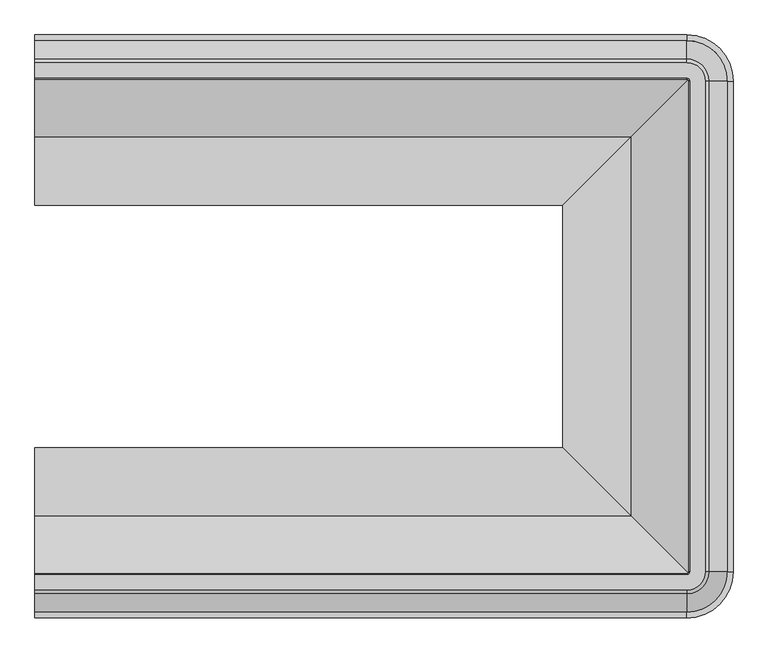
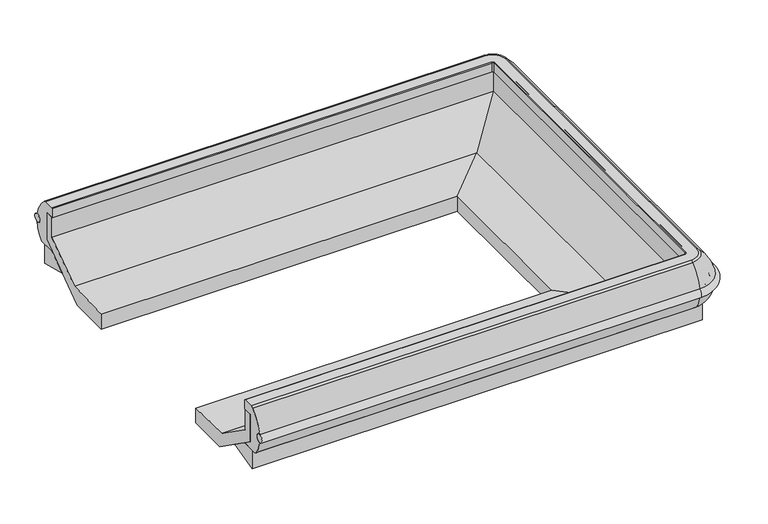
"""IFC4 building model written with IfcOpenShell, lengths in millimetres: proxy geometry."""

from ifc_helpers import new_model, si_unit, point, frame, origin, place, context, project, spatial, polyline, circle_curve, ellipse_curve, trimmed, faceted_brep, source, transform, mapped, element, save
from ifc_brep_helpers import plane_surface, cylinder_surface, revolved_surface, advanced_brep


def mechanical_equipment_106b6c2a(model_context):
    return source(origin(), model_context, "Body", "SolidModel", [
        advanced_brep(
        [(0.0, -364.6063208, 602.1833335), (0.0, -367.261694, 567.3111181), (1822.5002227, -364.6063208, 602.1833335), (1822.5002227, -367.261694, 567.3111181), (1932.7829333, -477.5444046, 567.3111181), (1935.4383065, -477.5444046, 602.1833335), (1935.4383065, -1849.24485, 602.1833335), (1932.7829333, -1849.24485, 567.3111181), (1822.5002227, -1959.5275606, 567.3111181), (1822.5002227, -1962.1829338, 602.1833335), (0.0, -1962.1829338, 602.1833335), (0.0, -1959.5275606, 567.3111181)],
        [
            (0, 1, circle_curve(frame((0.0, -366.1293194, 584.762098), z_axis=(-1.0, 0.0, 0.0), x_axis=(0.0, 1.0, 0.0)), 17.4876806)),
            (1, 0, circle_curve(frame((0.0, -366.2319692, 584.7699144), z_axis=(-1.0, 0.0, 0.0), x_axis=(0.0, 1.0, 0.0)), 17.4891366)),
            (0, 2),
            (2, 3, circle_curve(frame((1822.5002227, -366.1293194, 584.762098), z_axis=(-1.0, 0.0, 0.0), x_axis=(0.0, 1.0, 0.0)), 17.4876806)),
            (3, 1),
            (3, 2, circle_curve(frame((1822.5002227, -366.2319692, 584.7699144), z_axis=(-1.0, 0.0, 0.0), x_axis=(0.0, 1.0, 0.0)), 17.4891366)),
            (4, 3, circle_curve(frame((1822.5002227, -477.5444046, 567.3111181), z_axis=(0.0, 0.0, 1.0), x_axis=(0.0, 1.0, 0.0)), 110.2827105)),
            (2, 5, circle_curve(frame((1822.5002227, -477.5444046, 602.1833335), z_axis=(0.0, 0.0, -1.0), x_axis=(0.0, 1.0, 0.0)), 112.9380838)),
            (5, 4, circle_curve(frame((1933.9153079, -477.5444046, 584.762098), z_axis=(0.0, 1.0, 0.0), x_axis=(1.0, 0.0, 0.0)), 17.4876806)),
            (4, 5, circle_curve(frame((1933.8126581, -477.5444046, 584.7699144), z_axis=(0.0, 1.0, 0.0), x_axis=(1.0, 0.0, 0.0)), 17.4891366)),
            (5, 6),
            (6, 7, circle_curve(frame((1933.9153079, -1849.24485, 584.762098), z_axis=(0.0, 1.0, 0.0), x_axis=(1.0, 0.0, 0.0)), 17.4876806)),
            (7, 4),
            (7, 6, circle_curve(frame((1933.8126581, -1849.24485, 584.7699144), z_axis=(0.0, 1.0, 0.0), x_axis=(1.0, 0.0, 0.0)), 17.4891366)),
            (8, 7, circle_curve(frame((1822.5002227, -1849.24485, 567.3111181), z_axis=(0.0, 0.0, 1.0), x_axis=(1.0, 0.0, 0.0)), 110.2827105)),
            (6, 9, circle_curve(frame((1822.5002227, -1849.24485, 602.1833335), z_axis=(0.0, 0.0, -1.0), x_axis=(1.0, 0.0, 0.0)), 112.9380838)),
            (9, 8, circle_curve(frame((1822.5002227, -1960.6599352, 584.762098), z_axis=(1.0, 0.0, 0.0), x_axis=(0.0, -1.0, 0.0)), 17.4876806)),
            (8, 9, circle_curve(frame((1822.5002227, -1960.5572854, 584.7699144), z_axis=(1.0, 0.0, 0.0), x_axis=(0.0, -1.0, 0.0)), 17.4891366)),
            (10, 11, circle_curve(frame((0.0, -1960.5572854, 584.7699144), z_axis=(-1.0, 0.0, 0.0), x_axis=(0.0, -1.0, 0.0)), 17.4891366)),
            (11, 10, circle_curve(frame((0.0, -1960.6599352, 584.762098), z_axis=(-1.0, 0.0, 0.0), x_axis=(0.0, -1.0, 0.0)), 17.4876806)),
            (9, 10),
            (11, 8),
        ],
        [
            plane_surface(frame((0.0, -401.3444046, 0.0), z_axis=(-1.0, 0.0, 0.0), x_axis=(0.0, 0.0, 1.0))),
            cylinder_surface(frame((0.0, -366.1293194, 584.762098), z_axis=(-1.0, 0.0, 0.0), x_axis=(0.0, 1.0, 0.0)), 17.4876806),
            cylinder_surface(frame((0.0, -366.2319692, 584.7699144), z_axis=(-1.0, 0.0, 0.0), x_axis=(0.0, 1.0, 0.0)), 17.4891366),
            revolved_surface(trimmed(ellipse_curve(frame((1822.5002227, -366.1293194, 584.762098), z_axis=(-1.0, 0.0, 0.0), x_axis=(0.0, 1.0, 0.0)), 17.4876806, 17.4876806), [point((1822.5002227, -364.6063208, 602.1833335))], [point((1822.5002227, -367.261694, 567.3111181))], True, "CARTESIAN"), (1822.5002227, -477.5444046, 0.0), (0.0, 0.0, -1.0)),
            revolved_surface(trimmed(ellipse_curve(frame((1822.5002227, -366.2319692, 584.7699144), z_axis=(-1.0, 0.0, 0.0), x_axis=(0.0, 1.0, 0.0)), 17.4891366, 17.4891366), [point((1822.5002227, -367.261694, 567.3111181))], [point((1822.5002227, -364.6063208, 602.1833335))], True, "CARTESIAN"), (1822.5002227, -477.5444046, 0.0), (0.0, 0.0, -1.0)),
            cylinder_surface(frame((1933.9153079, -477.5444046, 584.762098), z_axis=(0.0, 1.0, 0.0), x_axis=(1.0, 0.0, 0.0)), 17.4876806),
            cylinder_surface(frame((1933.8126581, -477.5444046, 584.7699144), z_axis=(0.0, 1.0, 0.0), x_axis=(1.0, 0.0, 0.0)), 17.4891366),
            revolved_surface(trimmed(ellipse_curve(frame((1933.9153079, -1849.24485, 584.762098), z_axis=(0.0, 1.0, 0.0), x_axis=(1.0, 0.0, 0.0)), 17.4876806, 17.4876806), [point((1935.4383065, -1849.24485, 602.1833335))], [point((1932.7829333, -1849.24485, 567.3111181))], True, "CARTESIAN"), (1822.5002227, -1849.24485, 0.0), (0.0, 0.0, -1.0)),
            revolved_surface(trimmed(ellipse_curve(frame((1933.8126581, -1849.24485, 584.7699144), z_axis=(0.0, 1.0, 0.0), x_axis=(1.0, 0.0, 0.0)), 17.4891366, 17.4891366), [point((1932.7829333, -1849.24485, 567.3111181))], [point((1935.4383065, -1849.24485, 602.1833335))], True, "CARTESIAN"), (1822.5002227, -1849.24485, 0.0), (0.0, 0.0, -1.0)),
            plane_surface(frame((0.0, -1925.44485, 0.0), z_axis=(-1.0, 0.0, 0.0), x_axis=(0.0, 0.0, 1.0))),
            cylinder_surface(frame((1822.5002227, -1960.6599352, 584.762098), z_axis=(1.0, 0.0, 0.0), x_axis=(0.0, -1.0, 0.0)), 17.4876806),
            cylinder_surface(frame((1822.5002227, -1960.5572854, 584.7699144), z_axis=(1.0, 0.0, 0.0), x_axis=(0.0, -1.0, 0.0)), 17.4891366),
        ],
        [
            (0, [[1, 2]]),
            (1, [[-1, 3, 4, 5]]),
            (2, [[-2, -5, 6, -3]]),
            (3, [[7, -4, 8, 9]]),
            (4, [[-8, -6, -7, 10]]),
            (5, [[-9, 11, 12, 13]]),
            (6, [[-10, -13, 14, -11]]),
            (7, [[15, -12, 16, 17]]),
            (8, [[-16, -14, -15, 18]]),
            (9, [[19, 20]]),
            (10, [[-17, 21, -20, 22]]),
            (11, [[-18, -22, -19, -21]]),
        ],
    ),
        advanced_brep(
        [(0.0, -1932.3707266, 504.5515988), (0.0, -1962.3625666, 567.3742005), (0.0, -1962.1955312, 602.1821529), (0.0, -1911.1133562, 687.1369709), (0.0, -1900.315694, 691.368246), (0.0, -1857.7448417, 691.368246), (0.0, -1854.5728881, 688.1962924), (0.0, -1854.5728881, 649.6873876), (0.0, -1894.6056438, 649.6873876), (0.0, -1894.6056438, 529.929056), (0.0, -1855.3824045, 502.405218), (0.0, -1927.6069109, 502.405218), (1822.5002227, -1932.3707266, 504.5515988), (1822.5002227, -1962.3625666, 567.3742005), (1822.5002227, -1962.1955312, 602.1821529), (1822.5002227, -1911.1133562, 687.1369709), (1822.5002227, -1900.315694, 691.368246), (1873.5710667, -1849.24485, 691.368246), (1873.5710667, -477.5444046, 691.368246), (1822.5002227, -426.4735606, 691.368246), (0.0, -426.4735606, 691.368246), (0.0, -469.0444129, 691.368246), (1822.5002227, -469.0444129, 691.368246), (1831.0002144, -477.5444046, 691.368246), (1831.0002144, -1849.24485, 691.368246), (1822.5002227, -1857.7448417, 691.368246), (1822.5002227, -1854.5728881, 688.1962924), (1822.5002227, -1854.5728881, 649.6873876), (1827.8282608, -1849.24485, 649.6873876), (1827.8282608, -477.5444046, 649.6873876), (1822.5002227, -472.2163665, 649.6873876), (0.0, -472.2163665, 649.6873876), (0.0, -432.1836108, 649.6873876), (1822.5002227, -432.1836108, 649.6873876), (1867.8610165, -477.5444046, 649.6873876), (1867.8610165, -1849.24485, 649.6873876), (1822.5002227, -1894.6056438, 649.6873876), (1822.5002227, -1894.6056438, 529.929056), (1822.5002227, -1855.3824045, 502.405218), (1822.5002227, -1927.6069109, 502.4019738), (1935.6179393, -1849.24485, 567.3742005), (1905.6260993, -1849.24485, 504.5515988), (1935.4509039, -1849.24485, 602.1821529), (1884.3687289, -1849.24485, 687.1369709), (1827.8282608, -1849.24485, 688.1962924), (1867.8610165, -1849.24485, 529.929056), (1828.6377772, -1849.24485, 502.405218), (1900.8622836, -1849.24485, 502.4019738), (1905.6260993, -477.5444046, 504.5515988), (1935.6179393, -477.5444046, 567.3742005), (1935.4509039, -477.5444046, 602.1821529), (1884.3687289, -477.5444046, 687.1369709), (1827.8282608, -477.5444046, 688.1962924), (1867.8610165, -477.5444046, 529.929056), (1828.6377772, -477.5444046, 502.405218), (1900.8622836, -477.5444046, 502.4019738), (1822.5002227, -364.426688, 567.3742005), (1822.5002227, -394.418528, 504.5515988), (1822.5002227, -364.5937234, 602.1821529), (1822.5002227, -415.6758984, 687.1369709), (1822.5002227, -472.2163665, 688.1962924), (1822.5002227, -432.1836108, 529.929056), (1822.5002227, -471.4068501, 502.405218), (1822.5002227, -399.1823437, 502.4019738), (0.0, -394.418528, 504.5515988), (0.0, -399.1823437, 502.4019738), (0.0, -471.4068501, 502.405218), (0.0, -432.1836108, 529.929056), (0.0, -472.2163665, 688.1962924), (0.0, -415.6758984, 687.1369709), (0.0, -364.5937234, 602.1821529), (0.0, -364.426688, 567.3742005)],
        [
            (0, 1, circle_curve(frame((0.0, -1837.1426231, 588.5844274), z_axis=(-1.0, 0.0, 0.0), x_axis=(0.0, 1.0, 0.0)), 127.0035747)),
            (1, 2, circle_curve(frame((0.0, -1960.5572854, 584.7699144), z_axis=(1.0, 0.0, 0.0), x_axis=(0.0, 1.0, 0.0)), 17.4891366)),
            (2, 3, circle_curve(frame((0.0, -1790.3001749, 556.6587336), z_axis=(-1.0, 0.0, 0.0), x_axis=(0.0, 1.0, 0.0)), 177.8212451)),
            (3, 4, circle_curve(frame((0.0, -1900.315694, 675.4754956), z_axis=(-1.0, 0.0, 0.0), x_axis=(0.0, 1.0, 0.0)), 15.8927504)),
            (4, 5),
            (5, 6, circle_curve(frame((0.0, -1857.7448417, 688.1962924), z_axis=(-1.0, 0.0, 0.0), x_axis=(0.0, 1.0, 0.0)), 3.1719536)),
            (6, 7),
            (7, 8),
            (8, 9),
            (9, 10),
            (10, 11),
            (11, 0, circle_curve(frame((0.0, -1927.6069109, 508.7553674), z_axis=(-1.0, 0.0, 0.0), x_axis=(0.0, 1.0, 0.0)), 6.3533936)),
            (0, 12),
            (12, 13, circle_curve(frame((1822.5002227, -1837.1426231, 588.5844274), z_axis=(-1.0, 0.0, 0.0), x_axis=(0.0, 1.0, 0.0)), 127.0035747)),
            (13, 1),
            (13, 14, circle_curve(frame((1822.5002227, -1960.5572854, 584.7699144), z_axis=(1.0, 0.0, 0.0), x_axis=(0.0, 1.0, 0.0)), 17.4891366)),
            (14, 2),
            (14, 15, circle_curve(frame((1822.5002227, -1790.3001749, 556.6587336), z_axis=(-1.0, 0.0, 0.0), x_axis=(0.0, 1.0, 0.0)), 177.8212451)),
            (15, 3),
            (15, 16, circle_curve(frame((1822.5002227, -1900.315694, 675.4754956), z_axis=(-1.0, 0.0, 0.0), x_axis=(0.0, 1.0, 0.0)), 15.8927504)),
            (16, 4),
            (16, 17, circle_curve(frame((1822.5002227, -1849.24485, 691.368246), z_axis=(0.0, 0.0, 1.0), x_axis=(0.0, -1.0, 0.0)), 51.070844)),
            (17, 18),
            (18, 19, circle_curve(frame((1822.5002227, -477.5444046, 691.368246), z_axis=(0.0, 0.0, 1.0), x_axis=(1.0, 0.0, 0.0)), 51.070844)),
            (19, 20),
            (20, 21),
            (21, 22),
            (22, 23, circle_curve(frame((1822.5002227, -477.5444046, 691.368246), z_axis=(0.0, 0.0, -1.0), x_axis=(1.0, 0.0, 0.0)), 8.4999917)),
            (23, 24),
            (24, 25, circle_curve(frame((1822.5002227, -1849.24485, 691.368246), z_axis=(0.0, 0.0, -1.0), x_axis=(0.0, -1.0, 0.0)), 8.4999917)),
            (25, 5),
            (6, 26),
            (26, 27),
            (27, 7),
            (27, 28, circle_curve(frame((1822.5002227, -1849.24485, 649.6873876), z_axis=(0.0, 0.0, 1.0), x_axis=(0.0, -1.0, 0.0)), 5.3280381)),
            (28, 29),
            (29, 30, circle_curve(frame((1822.5002227, -477.5444046, 649.6873876), z_axis=(0.0, 0.0, 1.0), x_axis=(1.0, 0.0, 0.0)), 5.3280381)),
            (30, 31),
            (31, 32),
            (32, 33),
            (33, 34, circle_curve(frame((1822.5002227, -477.5444046, 649.6873876), z_axis=(0.0, 0.0, -1.0), x_axis=(1.0, 0.0, 0.0)), 45.3607938)),
            (34, 35),
            (35, 36, circle_curve(frame((1822.5002227, -1849.24485, 649.6873876), z_axis=(0.0, 0.0, -1.0), x_axis=(0.0, -1.0, 0.0)), 45.3607938)),
            (36, 8),
            (36, 37),
            (37, 9),
            (37, 38),
            (38, 10),
            (11, 39),
            (39, 12, circle_curve(frame((1822.5002227, -1927.6069109, 508.7553674), z_axis=(-1.0, 0.0, 0.0), x_axis=(0.0, 1.0, 0.0)), 6.3533936)),
            (40, 13, circle_curve(frame((1822.5002227, -1849.24485, 567.3742005), z_axis=(0.0, 0.0, -1.0), x_axis=(0.0, -1.0, 0.0)), 113.1177166)),
            (12, 41, circle_curve(frame((1822.5002227, -1849.24485, 504.5515988), z_axis=(0.0, 0.0, 1.0), x_axis=(0.0, -1.0, 0.0)), 83.1258766)),
            (41, 40, circle_curve(frame((1810.3979958, -1849.24485, 588.5844274), z_axis=(0.0, -1.0, 0.0), x_axis=(-1.0, 0.0, 0.0)), 127.0035747)),
            (42, 14, circle_curve(frame((1822.5002227, -1849.24485, 602.1821529), z_axis=(0.0, 0.0, -1.0), x_axis=(0.0, -1.0, 0.0)), 112.9506811)),
            (40, 42, circle_curve(frame((1933.8126581, -1849.24485, 584.7699144), z_axis=(0.0, 1.0, 0.0), x_axis=(-1.0, 0.0, 0.0)), 17.4891366)),
            (43, 15, circle_curve(frame((1822.5002227, -1849.24485, 687.1369709), z_axis=(0.0, 0.0, -1.0), x_axis=(0.0, -1.0, 0.0)), 61.8685062)),
            (42, 43, circle_curve(frame((1763.5555476, -1849.24485, 556.6587336), z_axis=(0.0, -1.0, 0.0), x_axis=(-1.0, 0.0, 0.0)), 177.8212451)),
            (43, 17, circle_curve(frame((1873.5710667, -1849.24485, 675.4754956), z_axis=(0.0, -1.0, 0.0), x_axis=(-1.0, 0.0, 0.0)), 15.8927504)),
            (26, 44, circle_curve(frame((1822.5002227, -1849.24485, 688.1962924), z_axis=(0.0, 0.0, 1.0), x_axis=(0.0, -1.0, 0.0)), 5.3280381)),
            (44, 28),
            (45, 37, circle_curve(frame((1822.5002227, -1849.24485, 529.929056), z_axis=(0.0, 0.0, -1.0), x_axis=(0.0, -1.0, 0.0)), 45.3607938)),
            (35, 45),
            (46, 38, circle_curve(frame((1822.5002227, -1849.24485, 502.405218), z_axis=(0.0, 0.0, -1.0), x_axis=(0.0, -1.0, 0.0)), 6.1375545)),
            (45, 46),
            (39, 47, circle_curve(frame((1822.5002227, -1849.24485, 502.4019738), z_axis=(0.0, 0.0, 1.0), x_axis=(0.0, -1.0, 0.0)), 78.3620609)),
            (47, 41, circle_curve(frame((1900.8622836, -1849.24485, 508.7553674), z_axis=(0.0, -1.0, 0.0), x_axis=(-1.0, 0.0, 0.0)), 6.3533936)),
            (41, 48),
            (48, 49, circle_curve(frame((1810.3979958, -477.5444046, 588.5844274), z_axis=(0.0, -1.0, 0.0), x_axis=(-1.0, 0.0, 0.0)), 127.0035747)),
            (49, 40),
            (49, 50, circle_curve(frame((1933.8126581, -477.5444046, 584.7699144), z_axis=(0.0, 1.0, 0.0), x_axis=(-1.0, 0.0, 0.0)), 17.4891366)),
            (50, 42),
            (50, 51, circle_curve(frame((1763.5555476, -477.5444046, 556.6587336), z_axis=(0.0, -1.0, 0.0), x_axis=(-1.0, 0.0, 0.0)), 177.8212451)),
            (51, 43),
            (51, 18, circle_curve(frame((1873.5710667, -477.5444046, 675.4754956), z_axis=(0.0, -1.0, 0.0), x_axis=(-1.0, 0.0, 0.0)), 15.8927504)),
            (44, 52),
            (52, 29),
            (34, 53),
            (53, 45),
            (53, 54),
            (54, 46),
            (47, 55),
            (55, 48, circle_curve(frame((1900.8622836, -477.5444046, 508.7553674), z_axis=(0.0, -1.0, 0.0), x_axis=(-1.0, 0.0, 0.0)), 6.3533936)),
            (56, 49, circle_curve(frame((1822.5002227, -477.5444046, 567.3742005), z_axis=(0.0, 0.0, -1.0), x_axis=(1.0, 0.0, 0.0)), 113.1177166)),
            (48, 57, circle_curve(frame((1822.5002227, -477.5444046, 504.5515988), z_axis=(0.0, 0.0, 1.0), x_axis=(1.0, 0.0, 0.0)), 83.1258766)),
            (57, 56, circle_curve(frame((1822.5002227, -489.6466315, 588.5844274), z_axis=(1.0, 0.0, 0.0), x_axis=(0.0, -1.0, 0.0)), 127.0035747)),
            (58, 50, circle_curve(frame((1822.5002227, -477.5444046, 602.1821529), z_axis=(0.0, 0.0, -1.0), x_axis=(1.0, 0.0, 0.0)), 112.9506811)),
            (56, 58, circle_curve(frame((1822.5002227, -366.2319692, 584.7699144), z_axis=(-1.0, 0.0, 0.0), x_axis=(0.0, -1.0, 0.0)), 17.4891366)),
            (59, 51, circle_curve(frame((1822.5002227, -477.5444046, 687.1369709), z_axis=(0.0, 0.0, -1.0), x_axis=(1.0, 0.0, 0.0)), 61.8685062)),
            (58, 59, circle_curve(frame((1822.5002227, -536.4890797, 556.6587336), z_axis=(1.0, 0.0, 0.0), x_axis=(0.0, -1.0, 0.0)), 177.8212451)),
            (59, 19, circle_curve(frame((1822.5002227, -426.4735606, 675.4754956), z_axis=(1.0, 0.0, 0.0), x_axis=(0.0, -1.0, 0.0)), 15.8927504)),
            (52, 60, circle_curve(frame((1822.5002227, -477.5444046, 688.1962924), z_axis=(0.0, 0.0, 1.0), x_axis=(1.0, 0.0, 0.0)), 5.3280381)),
            (60, 30),
            (61, 53, circle_curve(frame((1822.5002227, -477.5444046, 529.929056), z_axis=(0.0, 0.0, -1.0), x_axis=(1.0, 0.0, 0.0)), 45.3607938)),
            (33, 61),
            (62, 54, circle_curve(frame((1822.5002227, -477.5444046, 502.405218), z_axis=(0.0, 0.0, -1.0), x_axis=(1.0, 0.0, 0.0)), 6.1375545)),
            (61, 62),
            (55, 63, circle_curve(frame((1822.5002227, -477.5444046, 502.4019738), z_axis=(0.0, 0.0, 1.0), x_axis=(1.0, 0.0, 0.0)), 78.3620609)),
            (63, 57, circle_curve(frame((1822.5002227, -399.1823437, 508.7553674), z_axis=(1.0, 0.0, 0.0), x_axis=(0.0, -1.0, 0.0)), 6.3533936)),
            (64, 65, circle_curve(frame((0.0, -399.1823437, 508.7553674), z_axis=(-1.0, 0.0, 0.0), x_axis=(0.0, -1.0, 0.0)), 6.3533936)),
            (65, 66),
            (66, 67),
            (67, 32),
            (31, 68),
            (68, 21, circle_curve(frame((0.0, -469.0444129, 688.1962924), z_axis=(-1.0, 0.0, 0.0), x_axis=(0.0, -1.0, 0.0)), 3.1719536)),
            (20, 69, circle_curve(frame((0.0, -426.4735606, 675.4754956), z_axis=(-1.0, 0.0, 0.0), x_axis=(0.0, -1.0, 0.0)), 15.8927504)),
            (69, 70, circle_curve(frame((0.0, -536.4890797, 556.6587336), z_axis=(-1.0, 0.0, 0.0), x_axis=(0.0, -1.0, 0.0)), 177.8212451)),
            (70, 71, circle_curve(frame((0.0, -366.2319692, 584.7699144), z_axis=(1.0, 0.0, 0.0), x_axis=(0.0, -1.0, 0.0)), 17.4891366)),
            (71, 64, circle_curve(frame((0.0, -489.6466315, 588.5844274), z_axis=(-1.0, 0.0, 0.0), x_axis=(0.0, -1.0, 0.0)), 127.0035747)),
            (57, 64),
            (71, 56),
            (70, 58),
            (69, 59),
            (60, 68),
            (67, 61),
            (66, 62),
            (63, 65),
            (26, 25, circle_curve(frame((1822.5002227, -1857.7448417, 688.1962924), z_axis=(1.0, 0.0, 0.0), x_axis=(0.0, 1.0, 0.0)), 3.1719536)),
            (24, 44, circle_curve(frame((1831.0002144, -1849.24485, 688.1962924), z_axis=(0.0, -1.0, 0.0), x_axis=(-1.0, 0.0, 0.0)), 3.1719536)),
            (23, 52, circle_curve(frame((1831.0002144, -477.5444046, 688.1962924), z_axis=(0.0, -1.0, 0.0), x_axis=(-1.0, 0.0, 0.0)), 3.1719536)),
            (22, 60, circle_curve(frame((1822.5002227, -469.0444129, 688.1962924), z_axis=(1.0, 0.0, 0.0), x_axis=(0.0, -1.0, 0.0)), 3.1719536)),
        ],
        [
            plane_surface(frame((0.0, -1925.44485, 0.0), z_axis=(-1.0, 0.0, 0.0), x_axis=(0.0, 0.0, 1.0))),
            cylinder_surface(frame((0.0, -1837.1426231, 588.5844274), z_axis=(-1.0, 0.0, 0.0), x_axis=(0.0, 1.0, 0.0)), 127.0035747),
            revolved_surface(polyline([(1822.5002227, -1943.0681488, 584.7699144), (0.0, -1943.0681488, 584.7699144)]), (0.0, -1960.5572854, 584.7699144), (1.0, 0.0, 0.0)),
            cylinder_surface(frame((0.0, -1790.3001749, 556.6587336), z_axis=(-1.0, 0.0, 0.0), x_axis=(0.0, 1.0, 0.0)), 177.8212451),
            cylinder_surface(frame((0.0, -1900.315694, 675.4754956), z_axis=(-1.0, 0.0, 0.0), x_axis=(0.0, 1.0, 0.0)), 15.8927504),
            plane_surface(frame((0.0, -1900.315694, 691.368246), z_axis=(0.0, 0.0, 1.0), x_axis=(1.0, 0.0, 0.0))),
            plane_surface(frame((0.0, -1854.5728881, 688.1962924), z_axis=(0.0, 1.0, 0.0), x_axis=(1.0, 0.0, 0.0))),
            plane_surface(frame((0.0, -1854.5728881, 649.6873876), z_axis=(0.0, 0.0, -1.0), x_axis=(1.0, 0.0, 0.0))),
            plane_surface(frame((0.0, -1894.6056438, 649.6873876), z_axis=(0.0, 1.0, 0.0), x_axis=(1.0, 0.0, 0.0))),
            plane_surface(frame((0.0, -1894.6056438, 529.929056), z_axis=(0.0, 0.5744083781667253, 0.8185688823134388), x_axis=(1.0, 0.0, 0.0))),
            cylinder_surface(frame((0.0, -1927.6069109, 508.7553674), z_axis=(-1.0, 0.0, 0.0), x_axis=(0.0, 1.0, 0.0)), 6.3533936),
            revolved_surface(trimmed(ellipse_curve(frame((1822.5002227, -1837.1426231, 588.5844274), z_axis=(-1.0, 0.0, 0.0), x_axis=(0.0, 1.0, 0.0)), 127.0035747, 127.0035747), [point((1822.5002227, -1932.3707266, 504.5515988))], [point((1822.5002227, -1962.3625666, 567.3742005))], True, "CARTESIAN"), (1822.5002227, -1849.24485, 0.0), (0.0, 0.0, 1.0)),
            revolved_surface(trimmed(ellipse_curve(frame((1822.5002227, -1960.5572854, 584.7699144), z_axis=(1.0, 0.0, 0.0), x_axis=(0.0, 1.0, 0.0)), 17.4891366, 17.4891366), [point((1822.5002227, -1962.3625666, 567.3742005))], [point((1822.5002227, -1962.1955312, 602.1821529))], True, "CARTESIAN"), (1822.5002227, -1849.24485, 0.0), (0.0, 0.0, 1.0)),
            revolved_surface(trimmed(ellipse_curve(frame((1822.5002227, -1790.3001749, 556.6587336), z_axis=(-1.0, 0.0, 0.0), x_axis=(0.0, 1.0, 0.0)), 177.8212451, 177.8212451), [point((1822.5002227, -1962.1955312, 602.1821529))], [point((1822.5002227, -1911.1133562, 687.1369709))], True, "CARTESIAN"), (1822.5002227, -1849.24485, 0.0), (0.0, 0.0, 1.0)),
            revolved_surface(trimmed(ellipse_curve(frame((1822.5002227, -1900.315694, 675.4754956), z_axis=(-1.0, 0.0, 0.0), x_axis=(0.0, 1.0, 0.0)), 15.8927504, 15.8927504), [point((1822.5002227, -1911.1133562, 687.1369709))], [point((1822.5002227, -1900.315694, 691.368246))], True, "CARTESIAN"), (1822.5002227, -1849.24485, 0.0), (0.0, 0.0, 1.0)),
            revolved_surface(polyline([(1822.5002227, -1854.5728881, 688.1962924), (1822.5002227, -1854.5728881, 649.6873876)]), (1822.5002227, -1849.24485, 0.0), (0.0, 0.0, 1.0)),
            revolved_surface(polyline([(1822.5002227, -1894.6056438, 649.6873876), (1822.5002227, -1894.6056438, 529.929056)]), (1822.5002227, -1849.24485, 0.0), (0.0, 0.0, 1.0)),
            revolved_surface(polyline([(1822.5002227, -1894.6056438, 529.929056), (1822.5002227, -1855.3824045, 502.405218)]), (1822.5002227, -1849.24485, 0.0), (0.0, 0.0, 1.0)),
            revolved_surface(trimmed(ellipse_curve(frame((1822.5002227, -1927.6069109, 508.7553674), z_axis=(-1.0, 0.0, 0.0), x_axis=(0.0, 1.0, 0.0)), 6.3533936, 6.3533936), [point((1822.5002227, -1927.6069109, 502.4019738))], [point((1822.5002227, -1932.3707266, 504.5515988))], True, "CARTESIAN"), (1822.5002227, -1849.24485, 0.0), (0.0, 0.0, 1.0)),
            cylinder_surface(frame((1810.3979958, -1849.24485, 588.5844274), z_axis=(0.0, -1.0, 0.0), x_axis=(-1.0, 0.0, 0.0)), 127.0035747),
            revolved_surface(polyline([(1916.3235215, -477.5444046, 584.7699144), (1916.3235215, -1849.24485, 584.7699144)]), (1933.8126581, -1849.24485, 584.7699144), (0.0, 1.0, 0.0)),
            cylinder_surface(frame((1763.5555476, -1849.24485, 556.6587336), z_axis=(0.0, -1.0, 0.0), x_axis=(-1.0, 0.0, 0.0)), 177.8212451),
            cylinder_surface(frame((1873.5710667, -1849.24485, 675.4754956), z_axis=(0.0, -1.0, 0.0), x_axis=(-1.0, 0.0, 0.0)), 15.8927504),
            plane_surface(frame((1827.8282608, -1849.24485, 688.1962924), z_axis=(-1.0, 0.0, 0.0), x_axis=(0.0, 1.0, 0.0))),
            plane_surface(frame((1867.8610165, -1849.24485, 649.6873876), z_axis=(-1.0, 0.0, 0.0), x_axis=(0.0, 1.0, 0.0))),
            plane_surface(frame((1867.8610165, -1849.24485, 529.929056), z_axis=(-0.5744083781667253, 0.0, 0.8185688823134388), x_axis=(0.0, 1.0, 0.0))),
            cylinder_surface(frame((1900.8622836, -1849.24485, 508.7553674), z_axis=(0.0, -1.0, 0.0), x_axis=(-1.0, 0.0, 0.0)), 6.3533936),
            revolved_surface(trimmed(ellipse_curve(frame((1810.3979958, -477.5444046, 588.5844274), z_axis=(0.0, -1.0, 0.0), x_axis=(-1.0, 0.0, 0.0)), 127.0035747, 127.0035747), [point((1905.6260993, -477.5444046, 504.5515988))], [point((1935.6179393, -477.5444046, 567.3742005))], True, "CARTESIAN"), (1822.5002227, -477.5444046, 0.0), (0.0, 0.0, 1.0)),
            revolved_surface(trimmed(ellipse_curve(frame((1933.8126581, -477.5444046, 584.7699144), z_axis=(0.0, 1.0, 0.0), x_axis=(-1.0, 0.0, 0.0)), 17.4891366, 17.4891366), [point((1935.6179393, -477.5444046, 567.3742005))], [point((1935.4509039, -477.5444046, 602.1821529))], True, "CARTESIAN"), (1822.5002227, -477.5444046, 0.0), (0.0, 0.0, 1.0)),
            revolved_surface(trimmed(ellipse_curve(frame((1763.5555476, -477.5444046, 556.6587336), z_axis=(0.0, -1.0, 0.0), x_axis=(-1.0, 0.0, 0.0)), 177.8212451, 177.8212451), [point((1935.4509039, -477.5444046, 602.1821529))], [point((1884.3687289, -477.5444046, 687.1369709))], True, "CARTESIAN"), (1822.5002227, -477.5444046, 0.0), (0.0, 0.0, 1.0)),
            revolved_surface(trimmed(ellipse_curve(frame((1873.5710667, -477.5444046, 675.4754956), z_axis=(0.0, -1.0, 0.0), x_axis=(-1.0, 0.0, 0.0)), 15.8927504, 15.8927504), [point((1884.3687289, -477.5444046, 687.1369709))], [point((1873.5710667, -477.5444046, 691.368246))], True, "CARTESIAN"), (1822.5002227, -477.5444046, 0.0), (0.0, 0.0, 1.0)),
            revolved_surface(polyline([(1827.8282608, -477.5444046, 688.1962924), (1827.8282608, -477.5444046, 649.6873876)]), (1822.5002227, -477.5444046, 0.0), (0.0, 0.0, 1.0)),
            revolved_surface(polyline([(1867.8610165, -477.5444046, 649.6873876), (1867.8610165, -477.5444046, 529.929056)]), (1822.5002227, -477.5444046, 0.0), (0.0, 0.0, 1.0)),
            revolved_surface(polyline([(1867.8610165, -477.5444046, 529.929056), (1828.6377772, -477.5444046, 502.405218)]), (1822.5002227, -477.5444046, 0.0), (0.0, 0.0, 1.0)),
            revolved_surface(trimmed(ellipse_curve(frame((1900.8622836, -477.5444046, 508.7553674), z_axis=(0.0, -1.0, 0.0), x_axis=(-1.0, 0.0, 0.0)), 6.3533936, 6.3533936), [point((1900.8622836, -477.5444046, 502.4019738))], [point((1905.6260993, -477.5444046, 504.5515988))], True, "CARTESIAN"), (1822.5002227, -477.5444046, 0.0), (0.0, 0.0, 1.0)),
            plane_surface(frame((0.0, -401.3444046, 0.0), z_axis=(-1.0, 0.0, 0.0), x_axis=(0.0, 0.0, 1.0))),
            cylinder_surface(frame((1822.5002227, -489.6466315, 588.5844274), z_axis=(1.0, 0.0, 0.0), x_axis=(0.0, -1.0, 0.0)), 127.0035747),
            revolved_surface(polyline([(0.0, -383.7211058, 584.7699144), (1822.5002227, -383.7211058, 584.7699144)]), (1822.5002227, -366.2319692, 584.7699144), (-1.0, 0.0, 0.0)),
            cylinder_surface(frame((1822.5002227, -536.4890797, 556.6587336), z_axis=(1.0, 0.0, 0.0), x_axis=(0.0, -1.0, 0.0)), 177.8212451),
            cylinder_surface(frame((1822.5002227, -426.4735606, 675.4754956), z_axis=(1.0, 0.0, 0.0), x_axis=(0.0, -1.0, 0.0)), 15.8927504),
            plane_surface(frame((1822.5002227, -472.2163665, 688.1962924), z_axis=(0.0, -1.0, 0.0), x_axis=(-1.0, 0.0, 0.0))),
            plane_surface(frame((1822.5002227, -432.1836108, 649.6873876), z_axis=(0.0, -1.0, 0.0), x_axis=(-1.0, 0.0, 0.0))),
            plane_surface(frame((1822.5002227, -432.1836108, 529.929056), z_axis=(0.0, -0.5744083781667253, 0.8185688823134388), x_axis=(-1.0, 0.0, 0.0))),
            cylinder_surface(frame((1822.5002227, -399.1823437, 508.7553674), z_axis=(1.0, 0.0, 0.0), x_axis=(0.0, -1.0, 0.0)), 6.3533936),
            plane_surface(frame((0.0, -1855.3824045, 502.405218), z_axis=(0.0, 0.0, -1.0), x_axis=(1.0, 0.0, 0.0))),
            revolved_surface(trimmed(ellipse_curve(frame((1822.5002227, -1857.7448417, 688.1962924), z_axis=(-1.0, 0.0, 0.0), x_axis=(0.0, 1.0, 0.0)), 3.1719536, 3.1719536), [point((1822.5002227, -1857.7448417, 691.368246))], [point((1822.5002227, -1854.5728881, 688.1962924))], True, "CARTESIAN"), (1822.5002227, -1849.24485, 0.0), (0.0, 0.0, 1.0)),
            cylinder_surface(frame((1831.0002144, -1849.24485, 688.1962924), z_axis=(0.0, -1.0, 0.0), x_axis=(-1.0, 0.0, 0.0)), 3.1719536),
            revolved_surface(trimmed(ellipse_curve(frame((1831.0002144, -477.5444046, 688.1962924), z_axis=(0.0, -1.0, 0.0), x_axis=(-1.0, 0.0, 0.0)), 3.1719536, 3.1719536), [point((1831.0002144, -477.5444046, 691.368246))], [point((1827.8282608, -477.5444046, 688.1962924))], True, "CARTESIAN"), (1822.5002227, -477.5444046, 0.0), (0.0, 0.0, 1.0)),
            cylinder_surface(frame((1822.5002227, -469.0444129, 688.1962924), z_axis=(1.0, 0.0, 0.0), x_axis=(0.0, -1.0, 0.0)), 3.1719536),
            cylinder_surface(frame((0.0, -1857.7448417, 688.1962924), z_axis=(-1.0, 0.0, 0.0), x_axis=(0.0, 1.0, 0.0)), 3.1719536),
        ],
        [
            (0, [[1, 2, 3, 4, 5, 6, 7, 8, 9, 10, 11, 12]]),
            (1, [[-1, 13, 14, 15]]),
            (2, [[-2, -15, 16, 17]]),
            (3, [[-3, -17, 18, 19]]),
            (4, [[-4, -19, 20, 21]]),
            (5, [[-5, -21, 22, 23, 24, 25, 26, 27, 28, 29, 30, 31]]),
            (6, [[-7, 32, 33, 34]]),
            (7, [[-8, -34, 35, 36, 37, 38, 39, 40, 41, 42, 43, 44]]),
            (8, [[-9, -44, 45, 46]]),
            (9, [[-10, -46, 47, 48]]),
            (10, [[-12, 49, 50, -13]]),
            (11, [[51, -14, 52, 53]]),
            (12, [[54, -16, -51, 55]]),
            (13, [[56, -18, -54, 57]]),
            (14, [[-22, -20, -56, 58]]),
            (15, [[-35, -33, 59, 60]]),
            (16, [[61, -45, -43, 62]]),
            (17, [[63, -47, -61, 64]]),
            (18, [[-52, -50, 65, 66]]),
            (19, [[-53, 67, 68, 69]]),
            (20, [[-55, -69, 70, 71]]),
            (21, [[-57, -71, 72, 73]]),
            (22, [[-58, -73, 74, -23]]),
            (23, [[-60, 75, 76, -36]]),
            (24, [[-62, -42, 77, 78]]),
            (25, [[-64, -78, 79, 80]]),
            (26, [[-66, 81, 82, -67]]),
            (27, [[83, -68, 84, 85]]),
            (28, [[86, -70, -83, 87]]),
            (29, [[88, -72, -86, 89]]),
            (30, [[-24, -74, -88, 90]]),
            (31, [[-37, -76, 91, 92]]),
            (32, [[93, -77, -41, 94]]),
            (33, [[95, -79, -93, 96]]),
            (34, [[-84, -82, 97, 98]]),
            (35, [[99, 100, 101, 102, -39, 103, 104, -26, 105, 106, 107, 108]]),
            (36, [[-85, 109, -108, 110]]),
            (37, [[-87, -110, -107, 111]]),
            (38, [[-89, -111, -106, 112]]),
            (39, [[-90, -112, -105, -25]]),
            (40, [[-92, 113, -103, -38]]),
            (41, [[-94, -40, -102, 114]]),
            (42, [[-96, -114, -101, 115]]),
            (43, [[-98, 116, -99, -109]]),
            (44, [[-48, -63, -80, -95, -115, -100, -116, -97, -81, -65, -49, -11]]),
            (45, [[-59, 117, -30, 118]]),
            (46, [[-118, -29, 119, -75]]),
            (47, [[-91, -119, -28, 120]]),
            (48, [[-120, -27, -104, -113]]),
            (49, [[-6, -31, -117, -32]]),
        ],
    ),
        faceted_brep([(0.0, -1855.3777812, 502.405218), (0.0, -1781.4205446, 450.5138342), (0.0, -1906.609561, 418.2976265), (0.0, -1906.609561, 502.405218), (1864.445373, -1906.609561, 502.405218), (1864.445373, -420.1796936, 502.405218), (0.0, -420.1796936, 502.405218), (0.0, -471.4114734, 502.405218), (1813.2135932, -471.4114734, 502.405218), (1813.2135932, -1855.3777812, 502.405218), (1739.2563566, -1781.4205446, 450.5138342), (1864.445373, -1906.609561, 418.2976265), (1739.2563566, -545.36871, 450.5138342), (1864.445373, -420.1796936, 418.2976265), (0.0, -420.1796936, 418.2976265), (0.0, -545.36871, 450.5138342)], [[[0, 1, 2, 3]], [[0, 3, 4, 5, 6, 7, 8, 9]], [[1, 0, 9, 10]], [[2, 1, 10, 11]], [[10, 9, 8, 12]], [[11, 10, 12, 13]], [[7, 6, 14, 15]], [[12, 8, 7, 15]], [[13, 12, 15, 14]], [[3, 2, 11, 4]], [[4, 11, 13, 5]], [[5, 13, 14, 6]]]),
        faceted_brep([(0.0, -1673.36748, 374.65), (0.0, -1894.6056438, 529.8796301), (0.0, -1894.6056438, 649.6873876), (0.0, -1856.8739438, 649.6873876), (0.0, -1856.8739438, 561.0048878), (0.0, -1693.8123969, 446.8279354), (0.0, -1501.8470159, 439.7810985), (0.0, -1501.8470159, 374.65), (1646.6228527, -1673.36748, 374.65), (1867.8610165, -1894.6056438, 529.8796301), (1867.8610165, -1894.6056438, 649.6873876), (1867.8610165, -432.1836108, 649.6873876), (0.0, -432.1836108, 649.6873876), (0.0, -469.9153108, 649.6873876), (1830.1293165, -469.9153108, 649.6873876), (1830.1293165, -1856.8739438, 649.6873876), (1830.1293165, -1856.8739438, 561.0048878), (1667.0677696, -1693.8123969, 446.8279354), (1475.1023886, -1501.8470159, 439.7810985), (1475.1023886, -1501.8470159, 374.65), (1475.1023886, -824.9422387, 374.65), (0.0, -824.9422387, 374.65), (0.0, -653.4217746, 374.65), (1646.6228527, -653.4217746, 374.65), (1867.8610165, -432.1836108, 529.8796301), (1830.1293165, -469.9153108, 561.0048878), (1667.0677696, -632.9768577, 446.8279354), (1475.1023886, -824.9422387, 439.7810985), (0.0, -824.9422387, 439.7810985), (0.0, -632.9768577, 446.8279354), (0.0, -469.9153108, 561.0048878), (0.0, -432.1836108, 529.8796301)], [[[0, 1, 2, 3, 4, 5, 6, 7]], [[1, 0, 8, 9]], [[2, 1, 9, 10]], [[3, 2, 10, 11, 12, 13, 14, 15]], [[4, 3, 15, 16]], [[5, 4, 16, 17]], [[6, 5, 17, 18]], [[7, 6, 18, 19]], [[0, 7, 19, 20, 21, 22, 23, 8]], [[9, 8, 23, 24]], [[10, 9, 24, 11]], [[16, 15, 14, 25]], [[17, 16, 25, 26]], [[18, 17, 26, 27]], [[19, 18, 27, 20]], [[22, 21, 28, 29, 30, 13, 12, 31]], [[24, 23, 22, 31]], [[11, 24, 31, 12]], [[25, 14, 13, 30]], [[26, 25, 30, 29]], [[27, 26, 29, 28]], [[20, 27, 28, 21]]]),
    ])


if __name__ == "__main__":
    model = new_model("IFC4")
    model_context = context("Model", 3, world=origin())
    ifc_project = project(units=[si_unit("LENGTHUNIT", "METRE", prefix="MILLI")], contexts=[model_context])
    site = spatial("IfcSite", under=ifc_project)
    building = spatial("IfcBuilding", under=site)
    placement = place(None, origin())
    mechanical_equipment_shape = mechanical_equipment_106b6c2a(model_context)
    element("IfcBuildingElementProxy", 1, Name="Mechanical Equipment", at=placement, inside=building, context=model_context, shape_type="MappedRepresentation", body=[
        mapped(mechanical_equipment_shape, transform((0.0, 0.0, 0.0), x_axis=(1.0, 0.0, 0.0), y_axis=(0.0, 1.0, 0.0), z_axis=(0.0, 0.0, 1.0))),
    ])
    save(model, "model.ifc")
